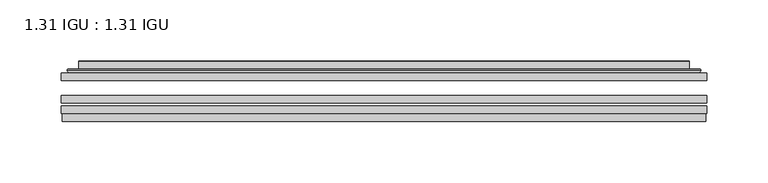
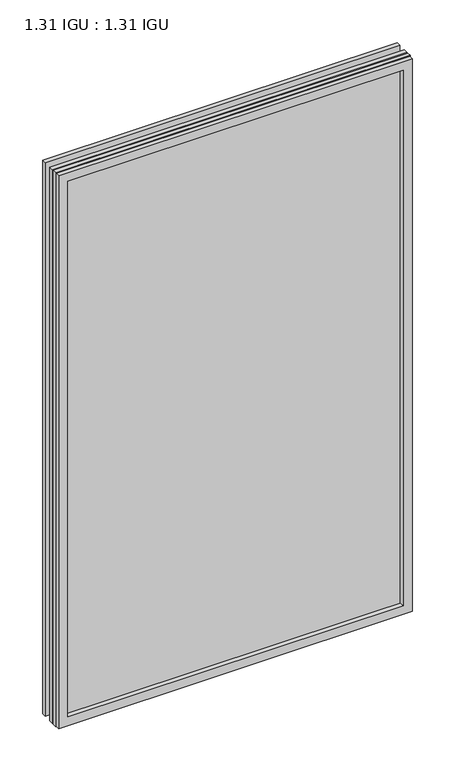
"""IFC4 building model written with IfcOpenShell, lengths in millimetres: plate geometry, 1.31 IGU : 1.31 IGU."""

import ifcopenshell
import ifcopenshell.guid

model = None  # the IFC model being written
_history = None  # IfcOwnerHistory: only IFC2X3 demands one
_inside = {}  # id of a spatial element -> (the spatial element, [elements in it])
_under = {}  # id of a project, library or spatial element -> (it, [spatial elements below it])
_declared = {}  # id of a project -> (the project, [libraries it declares])
_typed = {}  # id of a type object -> (the type object, [elements of that type])
_made_of = {}  # id of a material, layer set ... -> (it, [elements and type objects made of it])


def new_model(schema):
    """Start an empty IFC model of exactly this schema.

    Asked for "IFC4X3", IfcOpenShell would pick the latest addendum, in which some entities
    have other attributes; the version numbers below select the first issue.
    IFC2X3 requires an IfcOwnerHistory on every rooted entity: one is made here for all.
    """
    global model, _history
    if schema == "IFC4X3":
        model = ifcopenshell.file(schema_version=(4, 3, 0, 0))
    else:
        model = ifcopenshell.file(schema=schema)
    _inside.clear()
    _under.clear()
    _declared.clear()
    _typed.clear()
    _made_of.clear()
    _history = None
    if model.schema == "IFC2X3":
        org = make("IfcOrganization", Name="unknown")
        user = make(
            "IfcPersonAndOrganization",
            ThePerson=make("IfcPerson", FamilyName="unknown"),
            TheOrganization=org,
        )
        app = make(
            "IfcApplication",
            ApplicationDeveloper=org,
            Version="unknown",
            ApplicationFullName="unknown",
            ApplicationIdentifier="unknown",
        )
        _history = make(
            "IfcOwnerHistory",
            OwningUser=user,
            OwningApplication=app,
            ChangeAction="ADDED",
            CreationDate=0,
        )
    return model


def make(cls, **values):
    """One entity of the class cls with the attributes given. An attribute that is None is left unset."""
    return model.create_entity(
        cls, **{name: value for name, value in values.items() if value is not None}
    )


def rooted(cls, **values):
    """An entity with a GlobalId (a new one), such as an element, a storey or a relation."""
    return make(cls, GlobalId=ifcopenshell.guid.new(), OwnerHistory=_history, **values)


def si_unit(unit_type, name, prefix=None):
    """IfcSIUnit, for example si_unit("LENGTHUNIT", "METRE", prefix="MILLI")."""
    return make("IfcSIUnit", UnitType=unit_type, Prefix=prefix, Name=name)


def assignment(units):
    """IfcUnitAssignment: the units of a project."""
    return None if units is None else make("IfcUnitAssignment", Units=units)


def point(xyz):
    """IfcCartesianPoint."""
    return None if xyz is None else make("IfcCartesianPoint", Coordinates=xyz)


def direction(xyz):
    """IfcDirection."""
    return None if xyz is None else make("IfcDirection", DirectionRatios=xyz)


def frame(location, z_axis=None, x_axis=None):
    """IfcAxis2Placement3D, a coordinate frame: its origin and axes. An axis left out is left unset."""
    return make(
        "IfcAxis2Placement3D",
        Location=point(location),
        Axis=direction(z_axis),
        RefDirection=direction(x_axis),
    )


def origin():
    """The frame at (0, 0, 0) with its axes left unset."""
    return frame((0.0, 0.0, 0.0))


def place(relative_to, where):
    """IfcLocalPlacement: puts the frame where relative to a parent placement (None: the world)."""
    return make(
        "IfcLocalPlacement", PlacementRelTo=relative_to, RelativePlacement=where
    )


def context(
    kind, dimensions, precision=None, world=None, true_north=None, identifier=None
):
    """IfcGeometricRepresentationContext, for example the 3D "Model" context."""
    return make(
        "IfcGeometricRepresentationContext",
        ContextIdentifier=identifier,
        ContextType=kind,
        CoordinateSpaceDimension=dimensions,
        Precision=precision,
        WorldCoordinateSystem=world,
        TrueNorth=true_north,
    )


def project(units=None, contexts=None):
    """IfcProject with its units and contexts."""
    return rooted(
        "IfcProject",
        Name="project",
        RepresentationContexts=contexts,
        UnitsInContext=assignment(units),
    )


def spatial(cls, under=None, at=None, **own):
    """A site, building, storey or space (cls), placed at a placement, below another one or the project."""
    s = rooted(cls, ObjectPlacement=at, **own)
    if under is not None:
        _under.setdefault(under.id(), (under, []))[1].append(s)
    return s


def polyline(points):
    """IfcPolyline through the points."""
    return make("IfcPolyline", Points=[point(p) for p in points])


def ellipse_curve(where, semi_axis1, semi_axis2):
    """IfcEllipse in the frame where."""
    return make(
        "IfcEllipse", Position=where, SemiAxis1=semi_axis1, SemiAxis2=semi_axis2
    )


def outline(outer, holes=None, kind="AREA"):
    """IfcArbitraryClosedProfileDef: a profile drawn as a closed curve; with holes, ...WithVoids."""
    if holes is None:
        return make("IfcArbitraryClosedProfileDef", ProfileType=kind, OuterCurve=outer)
    return make(
        "IfcArbitraryProfileDefWithVoids",
        ProfileType=kind,
        OuterCurve=outer,
        InnerCurves=holes,
    )


def extrude(swept, where, along, depth):
    """IfcExtrudedAreaSolid: the profile swept, set in the frame where, extruded along a direction by depth."""
    return make(
        "IfcExtrudedAreaSolid",
        SweptArea=swept,
        Position=where,
        ExtrudedDirection=direction(along),
        Depth=depth,
    )


def faces_of(points, faces, orient=None, outer=None):
    """IfcFace entities. A face is a list of loops; a loop is a list of indices into points, from 0.

    orient and outer hold one flag for each loop. By default every Orientation is true, the
    first loop of a face is its IfcFaceOuterBound and the others are IfcFaceBound.
    """
    made = []
    for i, loops in enumerate(faces):
        bounds = []
        for j, loop in enumerate(loops):
            is_outer = j == 0 if outer is None else outer[i][j]
            bounds.append(
                make(
                    "IfcFaceOuterBound" if is_outer else "IfcFaceBound",
                    Bound=make("IfcPolyLoop", Polygon=[points[k] for k in loop]),
                    Orientation=True if orient is None else orient[i][j],
                )
            )
        made.append(make("IfcFace", Bounds=bounds))
    return made


def faceted_brep(points, faces, orient=None, outer=None, voids=None):
    """IfcFacetedBrep: a solid bounded by flat faces; with voids (closed shells), ...WithVoids."""
    shared = [point(p) for p in points]
    hull = make("IfcClosedShell", CfsFaces=faces_of(shared, faces, orient, outer))
    if voids is None:
        return make("IfcFacetedBrep", Outer=hull)
    return make(
        "IfcFacetedBrepWithVoids",
        Outer=hull,
        Voids=[
            make(cls, CfsFaces=faces_of(shared, fs, o, b)) for cls, fs, o, b in voids
        ],
    )


def shape(context_of_items, identifier, shape_type, items):
    """IfcShapeRepresentation: the items that make up one representation, for example the "Body"."""
    return make(
        "IfcShapeRepresentation",
        ContextOfItems=context_of_items,
        RepresentationIdentifier=identifier,
        RepresentationType=shape_type,
        Items=items,
    )


def source(mapping_origin, context_of_items, identifier, shape_type, items):
    """IfcRepresentationMap: a shape defined once, which mapped items show again and again."""
    return make(
        "IfcRepresentationMap",
        MappingOrigin=mapping_origin,
        MappedRepresentation=shape(context_of_items, identifier, shape_type, items),
    )


def transform(
    local_origin,
    x_axis=None,
    y_axis=None,
    z_axis=None,
    scale=None,
    scale2=None,
    scale3=None,
    uniform=True,
):
    """IfcCartesianTransformationOperator3D, or its non-uniform kind. x_axis, y_axis, z_axis: its Axis1, 2, 3."""
    if uniform:
        return make(
            "IfcCartesianTransformationOperator3D",
            Axis1=direction(x_axis),
            Axis2=direction(y_axis),
            LocalOrigin=point(local_origin),
            Scale=scale,
            Axis3=direction(z_axis),
        )
    return make(
        "IfcCartesianTransformationOperator3DnonUniform",
        Axis1=direction(x_axis),
        Axis2=direction(y_axis),
        LocalOrigin=point(local_origin),
        Scale=scale,
        Axis3=direction(z_axis),
        Scale2=scale2,
        Scale3=scale3,
    )


def mapped(mapping_source, mapping_target):
    """IfcMappedItem: shows the shape of a source again, moved by a transform."""
    return make(
        "IfcMappedItem", MappingSource=mapping_source, MappingTarget=mapping_target
    )


def made_of(thing, what):
    """Note that an element or type object is made of a material, layer set ...; save() writes the relation."""
    if what is not None:
        _made_of.setdefault(what.id(), (what, []))[1].append(thing)
    return thing


def element(
    cls,
    number,
    at=None,
    inside=None,
    cuts=None,
    type_object=None,
    material=None,
    context=None,
    identifier="Body",
    shape_type=None,
    held_by="IfcProductDefinitionShape",
    body=None,
    shapes=None,
    **own,
):
    """One element of the class cls, such as IfcWall. Its Tag is "e" and its number.

    at: its placement. inside: the storey or other place that contains it. cuts: it is an
    opening in that element (IfcRelVoidsElement). A single representation is given by context,
    identifier, shape_type and body (its items); several are given by shapes. held_by: the class
    of the entity that holds the representations. save() writes the other relations.
    """
    e = rooted(cls, Tag="e%d" % number, ObjectPlacement=at, **own)
    if body is not None:
        shapes = [shape(context, identifier, shape_type, body)]
    if shapes is not None:
        e.Representation = make(held_by, Representations=shapes)
    if inside is not None:
        _inside.setdefault(inside.id(), (inside, []))[1].append(e)
    if cuts is not None:
        rooted(
            "IfcRelVoidsElement", RelatingBuildingElement=cuts, RelatedOpeningElement=e
        )
    if type_object is not None:
        _typed.setdefault(type_object.id(), (type_object, []))[1].append(e)
    return made_of(e, material)


def aggregate(whole, parts):
    """IfcRelAggregates: a whole, such as a stair, and the parts it consists of."""
    return rooted("IfcRelAggregates", RelatingObject=whole, RelatedObjects=parts)


def save(model, path):
    """Write the relations noted so far, then the file.

    IfcRelAggregates (storeys below a building ...), IfcRelContainedInSpatialStructure (elements
    in a storey), IfcRelDefinesByType, IfcRelAssociatesMaterial and IfcRelDeclares: one each for
    every whole, place, type object, material and project.
    """
    for whole, parts in _under.values():
        aggregate(whole, parts)
    for where, things in _inside.values():
        rooted(
            "IfcRelContainedInSpatialStructure",
            RelatedElements=things,
            RelatingStructure=where,
        )
    for kind, things in _typed.values():
        rooted("IfcRelDefinesByType", RelatedObjects=things, RelatingType=kind)
    for what, things in _made_of.values():
        rooted("IfcRelAssociatesMaterial", RelatedObjects=things, RelatingMaterial=what)
    for by, libraries in _declared.values():
        rooted("IfcRelDeclares", RelatingContext=by, RelatedDefinitions=libraries)
    model.write(path)


def plane_surface(at):
    """IfcPlane: the flat surface through the origin of the frame at, square to its z axis."""
    return make("IfcPlane", Position=at)


def cylinder_surface(at, radius):
    """IfcCylindricalSurface: all points at the distance radius from the z axis of the frame at."""
    return make("IfcCylindricalSurface", Position=at, Radius=radius)


def advanced_brep(points, edges, surfaces, faces):
    """IfcAdvancedBrep: a solid bounded by faces that lie on surfaces and meet in shared edges.

    An edge is (start, end): straight between two places in points (the first is 0);
    or (start, end, curve); or (start, end, curve, False) where it runs against its curve.
    A face is (place in surfaces, loops), or (place, loops, False) where it looks against
    its surface's normal. A loop lists edges by number (the first is 1), with a minus sign
    where the edge is run from its end to its start. The first loop is the outer one.
    """
    corners = [point(p) for p in points]
    vertices = [make("IfcVertexPoint", VertexGeometry=c) for c in corners]
    made = []
    for start, end, *more in edges:
        made.append(
            make(
                "IfcEdgeCurve",
                EdgeStart=vertices[start],
                EdgeEnd=vertices[end],
                EdgeGeometry=more[0] if more else make("IfcPolyline", Points=[corners[start], corners[end]]),
                SameSense=more[1] if len(more) > 1 else True,
            )
        )
    hull = []
    for where, loops, *sense in faces:
        bounds = []
        for j, loop in enumerate(loops):
            ring = [make("IfcOrientedEdge", EdgeElement=made[abs(k) - 1], Orientation=k > 0) for k in loop]
            bounds.append(
                make(
                    "IfcFaceOuterBound" if j == 0 else "IfcFaceBound",
                    Bound=make("IfcEdgeLoop", EdgeList=ring),
                    Orientation=True,
                )
            )
        hull.append(make("IfcAdvancedFace", Bounds=bounds, FaceSurface=surfaces[where], SameSense=sense[0] if sense else True))
    return make("IfcAdvancedBrep", Outer=make("IfcClosedShell", CfsFaces=hull))


def plate_1_31_igu_1_31_igu_6180a292(model_context):
    return source(origin(), model_context, "Body", "SolidModel", [
        extrude(outline(polyline([(263.539175, -63.59525), (263.539175, -69.94525), (-263.525, -69.94525), (-263.525, -63.59525), (263.539175, -63.59525)])), frame((0.0, 0.0, -14.2875), z_axis=(0.0, 0.0, 1.0), x_axis=(1.0, 0.0, 0.0)), (0.0, 0.0, 1.0), 869.9537979),
        extrude(outline(polyline([(-263.525, -78.58125), (-263.525, -72.230745), (263.539175, -72.230745), (263.539175, -78.58125), (-263.525, -78.58125)])), frame((0.0, 0.0, -14.2875), z_axis=(0.0, 0.0, 1.0), x_axis=(1.0, 0.0, 0.0)), (0.0, 0.0, 1.0), 869.9537979),
        extrude(outline(polyline([(263.539175, -45.25645), (263.539175, -51.60645), (-263.525, -51.60645), (-263.525, -45.25645), (263.539175, -45.25645)])), frame((0.0, 0.0, -14.2875), z_axis=(0.0, 0.0, 1.0), x_axis=(1.0, 0.0, 0.0)), (0.0, 0.0, 1.0), 869.9537979),
        faceted_brep([(-262.8248142, -84.93125, 854.9623142), (-262.8248142, -78.58125, 854.9623142), (-262.8248142, -78.58125, -13.5873142), (-262.8248142, -84.93125, -13.5873142), (262.8248142, -78.58125, -13.5873142), (262.8248142, -84.93125, -13.5873142), (262.8248142, -78.58125, 854.9623142), (262.8248142, -84.93125, 854.9623142), (-248.3397559, -78.58125, 0.8977441), (248.3397559, -78.58125, 0.8977441), (248.3397559, -78.58125, 840.4772559), (-248.3397559, -78.58125, 840.4772559), (-249.2321902, -84.93125, 841.3696902), (249.2321902, -84.93125, 841.3696902), (249.2321902, -84.93125, 0.0053098), (-249.2321902, -84.93125, 0.0053098)], [[[0, 1, 2, 3]], [[3, 2, 4, 5]], [[5, 4, 6, 7]], [[1, 6, 4, 2], [8, 9, 10, 11]], [[7, 6, 1, 0]], [[3, 5, 7, 0], [12, 13, 14, 15]], [[11, 12, 15, 8]], [[8, 15, 14, 9]], [[9, 14, 13, 10]], [[10, 13, 12, 11]]]),
        advanced_brep(
        [(-256.283719, -45.25645, 848.4212191), (-258.6379244, -43.2667833, 850.7754244), (-258.6379244, -43.2667833, -9.4004244), (-256.283719, -45.25645, -7.046219), (-247.2093939, -41.416413, 839.3468939), (-242.2745621, -45.25645, 834.4120621), (-242.2745621, -45.25645, 6.9629379), (-247.2093939, -41.416413, 2.0281061), (-248.2414217, -36.0191819, 840.3789217), (-248.2414217, -36.0191819, 0.9960783), (-249.2320784, -35.6202069, 841.3695784), (-249.2320784, -35.6202069, 0.0054216), (-249.2320784, -42.08145, 841.3695784), (-249.2320784, -42.08145, 0.0054216), (-257.6361349, -42.08145, 849.7736349), (-257.6361349, -42.08145, -8.3986349), (258.6379244, -43.2667833, -9.4004244), (256.283719, -45.25645, -7.046219), (242.2745621, -45.25645, 6.9629379), (247.2093939, -41.416413, 2.0281061), (248.2414217, -36.0191819, 0.9960783), (249.2320784, -35.6202069, 0.0054216), (249.2320784, -42.08145, 0.0054216), (257.6361349, -42.08145, -8.3986349), (258.6379244, -43.2667833, 850.7754244), (256.283719, -45.25645, 848.4212191), (242.2745621, -45.25645, 834.4120621), (247.2093939, -41.416413, 839.3468939), (248.2414217, -36.0191819, 840.3789217), (249.2320784, -35.6202069, 841.3695784), (249.2320784, -42.08145, 841.3695784), (257.6361349, -42.08145, 849.7736349)],
        [
            (0, 1, ellipse_curve(frame((-256.283719, -42.86885, 848.4212191), z_axis=(-0.7071067811865475, 0.0, -0.7071067811865475), x_axis=(-0.7071067811865474, 0.0, 0.7071067811865476)), 3.3765763, 2.3876)),
            (1, 2),
            (2, 3, ellipse_curve(frame((-256.283719, -42.86885, -7.046219), z_axis=(-0.7071067811865475, 0.0, 0.7071067811865475), x_axis=(0.7071067811865474, 0.0, 0.7071067811865476)), 3.3765763, 2.3876)),
            (3, 0),
            (4, 5),
            (5, 6),
            (6, 7),
            (7, 4),
            (8, 4),
            (7, 9),
            (9, 8),
            (10, 8, ellipse_curve(frame((-248.8651219, -36.1384423, 841.0026219), z_axis=(-0.7071067811865475, 0.0, -0.7071067811865475), x_axis=(-0.7071067811865474, 0.0, 0.7071067811865476)), 0.8980256, 0.635)),
            (9, 11, ellipse_curve(frame((-248.8651219, -36.1384423, 0.3723781), z_axis=(-0.7071067811865475, 0.0, 0.7071067811865475), x_axis=(0.7071067811865474, 0.0, 0.7071067811865476)), 0.8980256, 0.635)),
            (11, 10),
            (12, 10),
            (11, 13),
            (13, 12),
            (1, 14, ellipse_curve(frame((-257.6361349, -43.09745, 849.7736349), z_axis=(-0.7071067811865475, 0.0, -0.7071067811865475), x_axis=(-0.7071067811865474, 0.0, 0.7071067811865476)), 1.436841, 1.016)),
            (14, 15),
            (15, 2, ellipse_curve(frame((-257.6361349, -43.09745, -8.3986349), z_axis=(-0.7071067811865475, 0.0, 0.7071067811865475), x_axis=(0.7071067811865474, 0.0, 0.7071067811865476)), 1.436841, 1.016)),
            (2, 16),
            (16, 17, ellipse_curve(frame((256.283719, -42.86885, -7.046219), z_axis=(-0.7071067811865475, 0.0, -0.7071067811865475), x_axis=(-0.7071067811865476, 0.0, 0.7071067811865474)), 3.3765763, 2.3876)),
            (17, 3),
            (6, 18),
            (18, 19),
            (19, 7),
            (19, 20),
            (20, 9),
            (20, 21, ellipse_curve(frame((248.8651219, -36.1384423, 0.3723781), z_axis=(-0.7071067811865475, 0.0, -0.7071067811865475), x_axis=(-0.7071067811865476, 0.0, 0.7071067811865474)), 0.8980256, 0.635)),
            (21, 11),
            (21, 22),
            (22, 13),
            (15, 23),
            (23, 16, ellipse_curve(frame((257.6361349, -43.09745, -8.3986349), z_axis=(-0.7071067811865475, 0.0, -0.7071067811865475), x_axis=(-0.7071067811865476, 0.0, 0.7071067811865474)), 1.436841, 1.016)),
            (16, 24),
            (24, 25, ellipse_curve(frame((256.283719, -42.86885, 848.4212191), z_axis=(0.7071067811865475, 0.0, -0.7071067811865475), x_axis=(-0.7071067811865474, 0.0, -0.7071067811865476)), 3.3765763, 2.3876)),
            (25, 17),
            (18, 26),
            (26, 27),
            (27, 19),
            (27, 28),
            (28, 20),
            (28, 29, ellipse_curve(frame((248.8651219, -36.1384423, 841.0026219), z_axis=(0.7071067811865475, 0.0, -0.7071067811865475), x_axis=(-0.7071067811865474, 0.0, -0.7071067811865476)), 0.8980256, 0.635)),
            (29, 21),
            (29, 30),
            (30, 22),
            (23, 31),
            (31, 24, ellipse_curve(frame((257.6361349, -43.09745, 849.7736349), z_axis=(0.7071067811865475, 0.0, -0.7071067811865475), x_axis=(-0.7071067811865474, 0.0, -0.7071067811865476)), 1.436841, 1.016)),
            (24, 1),
            (0, 25),
            (5, 26),
            (4, 27),
            (8, 28),
            (10, 29),
            (12, 30),
            (14, 31),
        ],
        [
            cylinder_surface(frame((-256.283719, -42.86885, 873.125), z_axis=(0.0, 0.0, 1.0), x_axis=(-1.0, 0.0, 0.0)), 2.3876),
            plane_surface(frame((-242.2745621, -45.25645, 834.4120621), z_axis=(0.6141233906514794, 0.7892100234124821, 0.0), x_axis=(0.0, 0.0, -1.0))),
            plane_surface(frame((-247.2093939, -41.416413, 839.3468939), z_axis=(0.9822050625507729, 0.1878116479338607, 0.0), x_axis=(0.0, 0.0, -1.0))),
            cylinder_surface(frame((-248.8651219, -36.1384423, 873.125), z_axis=(0.0, 0.0, 1.0), x_axis=(-1.0, 0.0, 0.0)), 0.635),
            plane_surface(frame((-249.2320784, -35.6202069, 841.3695784), z_axis=(-1.0, 0.0, 0.0), x_axis=(0.0, 0.0, -1.0))),
            cylinder_surface(frame((-257.6361349, -43.09745, 873.125), z_axis=(0.0, 0.0, 1.0), x_axis=(-1.0, 0.0, 0.0)), 1.016),
            cylinder_surface(frame((-280.9875, -42.86885, -7.046219), z_axis=(-1.0, 0.0, 0.0), x_axis=(0.0, 0.0, -1.0)), 2.3876),
            plane_surface(frame((-242.2745621, -45.25645, 6.9629379), z_axis=(0.0, 0.7892100234124841, 0.6141233906514768), x_axis=(1.0, 0.0, 0.0))),
            plane_surface(frame((-247.2093939, -41.416413, 2.0281061), z_axis=(0.0, 0.1878116479338639, 0.9822050625507722), x_axis=(1.0, 0.0, 0.0))),
            cylinder_surface(frame((-280.9875, -36.1384423, 0.3723781), z_axis=(-1.0, 0.0, 0.0), x_axis=(0.0, 0.0, -1.0)), 0.635),
            plane_surface(frame((-249.2320784, -35.6202069, 0.0054216), z_axis=(0.0, 0.0, -1.0), x_axis=(1.0, 0.0, 0.0))),
            cylinder_surface(frame((-280.9875, -43.09745, -8.3986349), z_axis=(-1.0, 0.0, 0.0), x_axis=(0.0, 0.0, -1.0)), 1.016),
            cylinder_surface(frame((256.283719, -42.86885, -31.75), z_axis=(0.0, 0.0, -1.0), x_axis=(1.0, 0.0, 0.0)), 2.3876),
            plane_surface(frame((242.2745621, -45.25645, 6.9629379), z_axis=(-0.6141233906514743, 0.7892100234124861, 0.0), x_axis=(0.0, 0.0, 1.0))),
            plane_surface(frame((247.2093939, -41.416413, 2.0281061), z_axis=(-0.9822050625507716, 0.1878116479338671, 0.0), x_axis=(0.0, 0.0, 1.0))),
            cylinder_surface(frame((248.8651219, -36.1384423, -31.75), z_axis=(0.0, 0.0, -1.0), x_axis=(1.0, 0.0, 0.0)), 0.635),
            plane_surface(frame((249.2320784, -35.6202069, 0.0054216), z_axis=(1.0, 0.0, 0.0), x_axis=(0.0, 0.0, 1.0))),
            cylinder_surface(frame((257.6361349, -43.09745, -31.75), z_axis=(0.0, 0.0, -1.0), x_axis=(1.0, 0.0, 0.0)), 1.016),
            cylinder_surface(frame((280.9875, -42.86885, 848.4212191), z_axis=(1.0, 0.0, 0.0), x_axis=(0.0, 0.0, 1.0)), 2.3876),
            plane_surface(frame((256.283719, -45.25645, 848.4212191), z_axis=(0.0, -1.0, 0.0), x_axis=(-1.0, 0.0, 0.0))),
            plane_surface(frame((242.2745621, -45.25645, 834.4120621), z_axis=(0.0, 0.7892100234124841, -0.6141233906514768), x_axis=(-1.0, 0.0, 0.0))),
            plane_surface(frame((247.2093939, -41.416413, 839.3468939), z_axis=(0.0, 0.1878116479338639, -0.9822050625507722), x_axis=(-1.0, 0.0, 0.0))),
            cylinder_surface(frame((280.9875, -36.1384423, 841.0026219), z_axis=(1.0, 0.0, 0.0), x_axis=(0.0, 0.0, 1.0)), 0.635),
            plane_surface(frame((249.2320784, -35.6202069, 841.3695784), z_axis=(0.0, 0.0, 1.0), x_axis=(-1.0, 0.0, 0.0))),
            plane_surface(frame((249.2320784, -42.08145, 841.3695784), z_axis=(0.0, 1.0, 0.0), x_axis=(-1.0, 0.0, 0.0))),
            cylinder_surface(frame((280.9875, -43.09745, 849.7736349), z_axis=(1.0, 0.0, 0.0), x_axis=(0.0, 0.0, 1.0)), 1.016),
        ],
        [
            (0, [[1, 2, 3, 4]]),
            (1, [[5, 6, 7, 8]]),
            (2, [[9, -8, 10, 11]]),
            (3, [[12, -11, 13, 14]]),
            (4, [[15, -14, 16, 17]]),
            (5, [[18, 19, 20, -2]]),
            (6, [[-3, 21, 22, 23]]),
            (7, [[-7, 24, 25, 26]]),
            (8, [[-10, -26, 27, 28]]),
            (9, [[-13, -28, 29, 30]]),
            (10, [[-16, -30, 31, 32]]),
            (11, [[-20, 33, 34, -21]]),
            (12, [[-22, 35, 36, 37]]),
            (13, [[-25, 38, 39, 40]]),
            (14, [[-27, -40, 41, 42]]),
            (15, [[-29, -42, 43, 44]]),
            (16, [[-31, -44, 45, 46]]),
            (17, [[-34, 47, 48, -35]]),
            (18, [[-36, 49, -1, 50]]),
            (19, [[-23, -37, -50, -4], [51, -38, -24, -6]]),
            (20, [[-39, -51, -5, 52]]),
            (21, [[-41, -52, -9, 53]]),
            (22, [[-43, -53, -12, 54]]),
            (23, [[-45, -54, -15, 55]]),
            (24, [[56, -47, -33, -19], [-32, -46, -55, -17]]),
            (25, [[-48, -56, -18, -49]]),
        ],
    ),
    ])


if __name__ == "__main__":
    model = new_model("IFC4")
    model_context = context("Model", 3, world=origin())
    ifc_project = project(units=[si_unit("LENGTHUNIT", "METRE", prefix="MILLI")], contexts=[model_context])
    site = spatial("IfcSite", under=ifc_project)
    building = spatial("IfcBuilding", under=site)
    placement = place(None, origin())
    plate_1_31_igu_1_31_igu_shape = plate_1_31_igu_1_31_igu_6180a292(model_context)
    element("IfcPlate", 1, ObjectType="1.31 IGU : 1.31 IGU", at=placement, inside=building, context=model_context, shape_type="MappedRepresentation", body=[
        mapped(plate_1_31_igu_1_31_igu_shape, transform((0.0, 0.0, 0.0), x_axis=(1.0, 0.0, 0.0), y_axis=(0.0, 1.0, 0.0), z_axis=(0.0, 0.0, 1.0))),
    ])
    save(model, "model.ifc")
